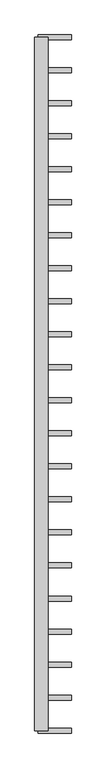
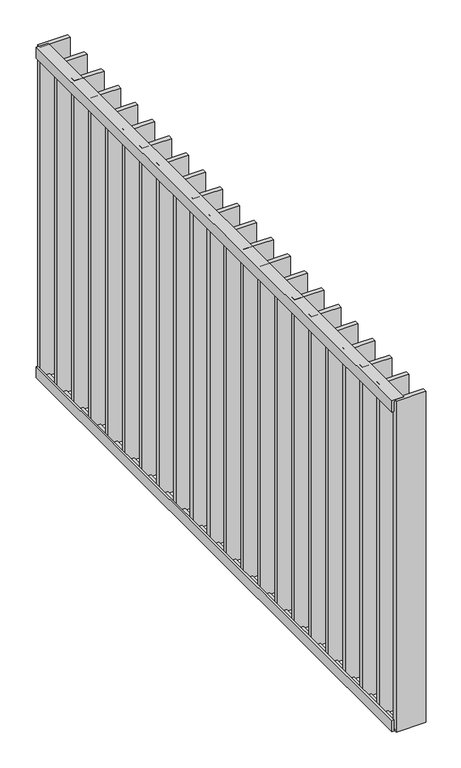
"""IFC4 building model written with IfcOpenShell, lengths in millimetres: railing geometry."""

from ifc_helpers import new_model, si_unit, frame, origin, place, context, project, spatial, polyline, outline, extrude, source, transform, mapped, element, save


def railing_dbfdace7(model_context):
    return source(origin(), model_context, "Body", "SweptSolid", [
        extrude(outline(polyline([(7994.0, 40087.5348772), (7994.0, 40121.5348772), (8000.0, 40121.5348772), (8000.0, 40081.5348772), (7960.0, 40081.5348772), (7960.0, 40087.5348772), (7994.0, 40087.5348772)])), frame((0.0, -35734.8981444, 0.0), z_axis=(0.0, 1.0, 0.0), x_axis=(0.0, 0.0, 1.0)), (0.0, 0.0, 1.0), 2080.0),
        extrude(outline(polyline([(6826.0, 40087.5348772), (6860.0, 40087.5348772), (6860.0, 40081.5348772), (6820.0, 40081.5348772), (6820.0, 40121.5348772), (6826.0, 40121.5348772), (6826.0, 40087.5348772)])), frame((0.0, -35734.8981444, 0.0), z_axis=(0.0, 1.0, 0.0), x_axis=(0.0, 0.0, 1.0)), (0.0, 0.0, 1.0), 2080.0),
        extrude(outline(polyline([(40091.5348772, -33761.4457634), (40091.5348772, -33746.4457634), (40191.5348772, -33746.4457634), (40191.5348772, -33761.4457634), (40091.5348772, -33761.4457634)])), frame((0.0, 0.0, 6819.9), z_axis=(0.0, 0.0, 1.0), x_axis=(1.0, 0.0, 0.0)), (0.0, 0.0, 1.0), 1180.2),
        extrude(outline(polyline([(40091.5348772, -33860.4933825), (40091.5348772, -33845.4933825), (40191.5348772, -33845.4933825), (40191.5348772, -33860.4933825), (40091.5348772, -33860.4933825)])), frame((0.0, 0.0, 6819.9), z_axis=(0.0, 0.0, 1.0), x_axis=(1.0, 0.0, 0.0)), (0.0, 0.0, 1.0), 1180.2),
        extrude(outline(polyline([(40091.5348772, -33959.5410015), (40091.5348772, -33944.5410015), (40191.5348772, -33944.5410015), (40191.5348772, -33959.5410015), (40091.5348772, -33959.5410015)])), frame((0.0, 0.0, 6819.9), z_axis=(0.0, 0.0, 1.0), x_axis=(1.0, 0.0, 0.0)), (0.0, 0.0, 1.0), 1180.2),
        extrude(outline(polyline([(40091.5348772, -34058.5886206), (40091.5348772, -34043.5886206), (40191.5348772, -34043.5886206), (40191.5348772, -34058.5886206), (40091.5348772, -34058.5886206)])), frame((0.0, 0.0, 6819.9), z_axis=(0.0, 0.0, 1.0), x_axis=(1.0, 0.0, 0.0)), (0.0, 0.0, 1.0), 1180.2),
        extrude(outline(polyline([(40091.5348772, -34157.6362396), (40091.5348772, -34142.6362396), (40191.5348772, -34142.6362396), (40191.5348772, -34157.6362396), (40091.5348772, -34157.6362396)])), frame((0.0, 0.0, 6819.9), z_axis=(0.0, 0.0, 1.0), x_axis=(1.0, 0.0, 0.0)), (0.0, 0.0, 1.0), 1180.2),
        extrude(outline(polyline([(40091.5348772, -34256.6838587), (40091.5348772, -34241.6838587), (40191.5348772, -34241.6838587), (40191.5348772, -34256.6838587), (40091.5348772, -34256.6838587)])), frame((0.0, 0.0, 6819.9), z_axis=(0.0, 0.0, 1.0), x_axis=(1.0, 0.0, 0.0)), (0.0, 0.0, 1.0), 1180.2),
        extrude(outline(polyline([(40091.5348772, -34355.7314777), (40091.5348772, -34340.7314777), (40191.5348772, -34340.7314777), (40191.5348772, -34355.7314777), (40091.5348772, -34355.7314777)])), frame((0.0, 0.0, 6819.9), z_axis=(0.0, 0.0, 1.0), x_axis=(1.0, 0.0, 0.0)), (0.0, 0.0, 1.0), 1180.2),
        extrude(outline(polyline([(40091.5348772, -34454.7790968), (40091.5348772, -34439.7790968), (40191.5348772, -34439.7790968), (40191.5348772, -34454.7790968), (40091.5348772, -34454.7790968)])), frame((0.0, 0.0, 6819.9), z_axis=(0.0, 0.0, 1.0), x_axis=(1.0, 0.0, 0.0)), (0.0, 0.0, 1.0), 1180.2),
        extrude(outline(polyline([(40091.5348772, -34553.8267158), (40091.5348772, -34538.8267158), (40191.5348772, -34538.8267158), (40191.5348772, -34553.8267158), (40091.5348772, -34553.8267158)])), frame((0.0, 0.0, 6819.9), z_axis=(0.0, 0.0, 1.0), x_axis=(1.0, 0.0, 0.0)), (0.0, 0.0, 1.0), 1180.2),
        extrude(outline(polyline([(40091.5348772, -34652.8743349), (40091.5348772, -34637.8743349), (40191.5348772, -34637.8743349), (40191.5348772, -34652.8743349), (40091.5348772, -34652.8743349)])), frame((0.0, 0.0, 6819.9), z_axis=(0.0, 0.0, 1.0), x_axis=(1.0, 0.0, 0.0)), (0.0, 0.0, 1.0), 1180.2),
        extrude(outline(polyline([(40091.5348772, -34751.9219539), (40091.5348772, -34736.9219539), (40191.5348772, -34736.9219539), (40191.5348772, -34751.9219539), (40091.5348772, -34751.9219539)])), frame((0.0, 0.0, 6819.9), z_axis=(0.0, 0.0, 1.0), x_axis=(1.0, 0.0, 0.0)), (0.0, 0.0, 1.0), 1180.2),
        extrude(outline(polyline([(40091.5348772, -34850.969573), (40091.5348772, -34835.969573), (40191.5348772, -34835.969573), (40191.5348772, -34850.969573), (40091.5348772, -34850.969573)])), frame((0.0, 0.0, 6819.9), z_axis=(0.0, 0.0, 1.0), x_axis=(1.0, 0.0, 0.0)), (0.0, 0.0, 1.0), 1180.2),
        extrude(outline(polyline([(40091.5348772, -34950.017192), (40091.5348772, -34935.017192), (40191.5348772, -34935.017192), (40191.5348772, -34950.017192), (40091.5348772, -34950.017192)])), frame((0.0, 0.0, 6819.9), z_axis=(0.0, 0.0, 1.0), x_axis=(1.0, 0.0, 0.0)), (0.0, 0.0, 1.0), 1180.2),
        extrude(outline(polyline([(40091.5348772, -35049.0648111), (40091.5348772, -35034.0648111), (40191.5348772, -35034.0648111), (40191.5348772, -35049.0648111), (40091.5348772, -35049.0648111)])), frame((0.0, 0.0, 6819.9), z_axis=(0.0, 0.0, 1.0), x_axis=(1.0, 0.0, 0.0)), (0.0, 0.0, 1.0), 1180.2),
        extrude(outline(polyline([(40091.5348772, -35148.1124301), (40091.5348772, -35133.1124301), (40191.5348772, -35133.1124301), (40191.5348772, -35148.1124301), (40091.5348772, -35148.1124301)])), frame((0.0, 0.0, 6819.9), z_axis=(0.0, 0.0, 1.0), x_axis=(1.0, 0.0, 0.0)), (0.0, 0.0, 1.0), 1180.2),
        extrude(outline(polyline([(40091.5348772, -35247.1600492), (40091.5348772, -35232.1600492), (40191.5348772, -35232.1600492), (40191.5348772, -35247.1600492), (40091.5348772, -35247.1600492)])), frame((0.0, 0.0, 6819.9), z_axis=(0.0, 0.0, 1.0), x_axis=(1.0, 0.0, 0.0)), (0.0, 0.0, 1.0), 1180.2),
        extrude(outline(polyline([(40091.5348772, -35346.2076682), (40091.5348772, -35331.2076682), (40191.5348772, -35331.2076682), (40191.5348772, -35346.2076682), (40091.5348772, -35346.2076682)])), frame((0.0, 0.0, 6819.9), z_axis=(0.0, 0.0, 1.0), x_axis=(1.0, 0.0, 0.0)), (0.0, 0.0, 1.0), 1180.2),
        extrude(outline(polyline([(40091.5348772, -35445.2552872), (40091.5348772, -35430.2552872), (40191.5348772, -35430.2552872), (40191.5348772, -35445.2552872), (40091.5348772, -35445.2552872)])), frame((0.0, 0.0, 6819.9), z_axis=(0.0, 0.0, 1.0), x_axis=(1.0, 0.0, 0.0)), (0.0, 0.0, 1.0), 1180.2),
        extrude(outline(polyline([(40091.5348772, -35544.3029063), (40091.5348772, -35529.3029063), (40191.5348772, -35529.3029063), (40191.5348772, -35544.3029063), (40091.5348772, -35544.3029063)])), frame((0.0, 0.0, 6819.9), z_axis=(0.0, 0.0, 1.0), x_axis=(1.0, 0.0, 0.0)), (0.0, 0.0, 1.0), 1180.2),
        extrude(outline(polyline([(40091.5348772, -35643.3505253), (40091.5348772, -35628.3505253), (40191.5348772, -35628.3505253), (40191.5348772, -35643.3505253), (40091.5348772, -35643.3505253)])), frame((0.0, 0.0, 6819.9), z_axis=(0.0, 0.0, 1.0), x_axis=(1.0, 0.0, 0.0)), (0.0, 0.0, 1.0), 1180.2),
        extrude(outline(polyline([(40091.5348772, -33662.3981444), (40091.5348772, -33647.3981444), (40191.5348772, -33647.3981444), (40191.5348772, -33662.3981444), (40091.5348772, -33662.3981444)])), frame((0.0, 0.0, 6819.9), z_axis=(0.0, 0.0, 1.0), x_axis=(1.0, 0.0, 0.0)), (0.0, 0.0, 1.0), 1180.2),
        extrude(outline(polyline([(40091.5348772, -35742.3981444), (40091.5348772, -35727.3981444), (40191.5348772, -35727.3981444), (40191.5348772, -35742.3981444), (40091.5348772, -35742.3981444)])), frame((0.0, 0.0, 6819.9), z_axis=(0.0, 0.0, 1.0), x_axis=(1.0, 0.0, 0.0)), (0.0, 0.0, 1.0), 1180.2),
    ])


if __name__ == "__main__":
    model = new_model("IFC4")
    model_context = context("Model", 3, world=origin())
    ifc_project = project(units=[si_unit("LENGTHUNIT", "METRE", prefix="MILLI")], contexts=[model_context])
    site = spatial("IfcSite", under=ifc_project)
    building = spatial("IfcBuilding", under=site)
    placement = place(None, origin())
    railing_shape = railing_dbfdace7(model_context)
    element("IfcRailing", 1, at=placement, inside=building, context=model_context, shape_type="MappedRepresentation", body=[
        mapped(railing_shape, transform((0.0, 0.0, 0.0), x_axis=(1.0, 0.0, 0.0), y_axis=(0.0, 1.0, 0.0), z_axis=(0.0, 0.0, 1.0))),
    ])
    save(model, "model.ifc")
